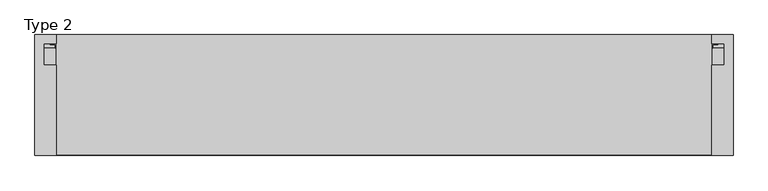
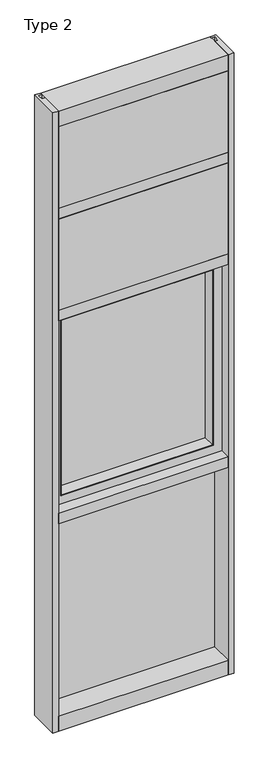
"""IFC4 building model written with IfcOpenShell, lengths in millimetres: plate geometry, Type 2."""

from ifc_helpers import new_model, si_unit, point, frame, frame_2d, origin, place, context, project, spatial, polyline, circle_curve, trimmed, segment, composite_curve, outline, extrude, faceted_brep, source, transform, mapped, element, save


def type_2_29f3a8de(model_context):
    return source(origin(), model_context, "Body", "SolidModel", [
        extrude(outline(polyline([(34.0360843, 3579.4782689), (34.0360843, 3568.7272341), (27.686, 3566.9739421), (27.686, 3579.4782689), (34.0360843, 3579.4782689)])), frame((-501.65, 0.0, 0.0), z_axis=(1.0, 0.0, 0.0), x_axis=(0.0, 1.0, 0.0)), (0.0, 0.0, 1.0), 1003.3),
        extrude(outline(composite_curve([segment(polyline([(-483.0874462, 27.686), (-484.0539521, 27.686), (-484.0814595, 31.7563748)]), True, "CONTINUOUS"), segment(trimmed(circle_curve(frame_2d((-484.716445, 31.7520836)), 0.635), [point((-484.0814595, 31.7563748))], [point((-484.6813642, 32.3861138))], True, "CARTESIAN"), True, "CONTINUOUS"), segment(polyline([(-484.6813642, 32.3861138), (-491.4367251, 32.7598869)]), True, "CONTINUOUS"), segment(trimmed(circle_curve(frame_2d((-491.2541718, 33.7593519)), 1.016), [point((-491.4367251, 32.7598869))], [point((-492.2317504, 34.0361122))], False, "CARTESIAN"), True, "CONTINUOUS"), segment(polyline([(-492.2317504, 34.0361122), (-482.6765008, 34.0361122), (-483.0874462, 27.686)]), True, "CONTINUOUS")], self_intersect=False)), frame((0.0, 0.0, 3068.9728643), z_axis=(0.0, 0.0, 1.0), x_axis=(1.0, 0.0, 0.0)), (0.0, 0.0, 1.0), 518.7771357),
        extrude(outline(composite_curve([segment(polyline([(483.0874462, 27.686), (482.6765008, 34.0361122), (492.2317504, 34.0361122)]), True, "CONTINUOUS"), segment(trimmed(circle_curve(frame_2d((491.2541718, 33.7593519)), 1.016), [point((492.2317504, 34.0361122))], [point((491.4367251, 32.7598869))], False, "CARTESIAN"), True, "CONTINUOUS"), segment(polyline([(491.4367251, 32.7598869), (484.6813642, 32.3861138)]), True, "CONTINUOUS"), segment(trimmed(circle_curve(frame_2d((484.716445, 31.7520836)), 0.635), [point((484.6813642, 32.3861138))], [point((484.0814595, 31.7563748))], True, "CARTESIAN"), True, "CONTINUOUS"), segment(polyline([(484.0814595, 31.7563748), (484.0539521, 27.686), (483.0874462, 27.686)]), True, "CONTINUOUS")], self_intersect=False)), frame((0.0, 0.0, 3068.9728643), z_axis=(0.0, 0.0, 1.0), x_axis=(1.0, 0.0, 0.0)), (0.0, 0.0, 1.0), 518.7771357),
        extrude(outline(polyline([(34.0361122, 3068.9728643), (27.686, 3068.9728643), (27.686, 3081.4771952), (34.0361122, 3079.7238955), (34.0361122, 3068.9728643)])), frame((-492.2317504, 0.0, 0.0), z_axis=(1.0, 0.0, 0.0), x_axis=(0.0, 1.0, 0.0)), (0.0, 0.0, 1.0), 984.4635007),
        extrude(outline(polyline([(484.1875, -48.6030703), (482.6, -131.0159103), (-482.6, -131.0159103), (-484.1875, -48.6030703), (484.1875, -48.6030703)])), frame((0.0, 0.0, 3079.75), z_axis=(0.0, 0.0, 1.0), x_axis=(1.0, 0.0, 0.0)), (0.0, 0.0, 1.0), 488.95),
        extrude(outline(polyline([(-501.65, 27.686), (501.65, 27.686), (501.65, 2.286), (-501.65, 2.286), (-501.65, 27.686)])), frame((0.0, 0.0, 3060.7), z_axis=(0.0, 0.0, 1.0), x_axis=(1.0, 0.0, 0.0)), (0.0, 0.0, 1.0), 527.05),
        extrude(outline(composite_curve([segment(polyline([(34.0360974, 3027.0282838), (34.0360974, 3016.1659828)]), True, "CONTINUOUS"), segment(trimmed(circle_curve(frame_2d((38.5198748, 2991.1648681)), 25.4), [point((34.0360974, 3016.1659828))], [point((27.686, 3014.1384868))], True, "CARTESIAN"), True, "CONTINUOUS"), segment(polyline([(27.686, 3014.1384868), (27.686, 3027.0282838), (34.0360974, 3027.0282838)]), True, "CONTINUOUS")], self_intersect=False)), frame((-501.65, 0.0, 0.0), z_axis=(1.0, 0.0, 0.0), x_axis=(0.0, 1.0, 0.0)), (0.0, 0.0, 1.0), 1003.3),
        extrude(outline(composite_curve([segment(polyline([(-482.6765008, 34.0361122), (-483.0874462, 27.686), (-484.0539521, 27.686), (-484.0814595, 31.7563748)]), True, "CONTINUOUS"), segment(trimmed(circle_curve(frame_2d((-484.716445, 31.7520836)), 0.635), [point((-484.0814595, 31.7563748))], [point((-484.6813642, 32.3861138))], True, "CARTESIAN"), True, "CONTINUOUS"), segment(polyline([(-484.6813642, 32.3861138), (-491.4367251, 32.7598869)]), True, "CONTINUOUS"), segment(trimmed(circle_curve(frame_2d((-491.2541718, 33.7593519)), 1.016), [point((-491.4367251, 32.7598869))], [point((-492.2317504, 34.0361122))], False, "CARTESIAN"), True, "CONTINUOUS"), segment(polyline([(-492.2317504, 34.0361122), (-482.6765008, 34.0361122)]), True, "CONTINUOUS")], self_intersect=False)), frame((0.0, 0.0, 2459.3728643), z_axis=(0.0, 0.0, 1.0), x_axis=(1.0, 0.0, 0.0)), (0.0, 0.0, 1.0), 575.9271357),
        extrude(outline(composite_curve([segment(polyline([(483.0874462, 27.686), (482.6765008, 34.0361122), (492.2317504, 34.0361122)]), True, "CONTINUOUS"), segment(trimmed(circle_curve(frame_2d((491.2541718, 33.7593519)), 1.016), [point((492.2317504, 34.0361122))], [point((491.4367251, 32.7598869))], False, "CARTESIAN"), True, "CONTINUOUS"), segment(polyline([(491.4367251, 32.7598869), (484.6813642, 32.3861138)]), True, "CONTINUOUS"), segment(trimmed(circle_curve(frame_2d((484.716445, 31.7520836)), 0.635), [point((484.6813642, 32.3861138))], [point((484.0814595, 31.7563748))], True, "CARTESIAN"), True, "CONTINUOUS"), segment(polyline([(484.0814595, 31.7563748), (484.0539521, 27.686), (483.0874462, 27.686)]), True, "CONTINUOUS")], self_intersect=False)), frame((0.0, 0.0, 2459.3728643), z_axis=(0.0, 0.0, 1.0), x_axis=(1.0, 0.0, 0.0)), (0.0, 0.0, 1.0), 575.9271357),
        extrude(outline(polyline([(34.0361122, 2459.3728643), (27.686, 2459.3728643), (27.686, 2471.8771952), (34.0361122, 2470.1238955), (34.0361122, 2459.3728643)])), frame((-492.2317504, 0.0, 0.0), z_axis=(1.0, 0.0, 0.0), x_axis=(0.0, 1.0, 0.0)), (0.0, 0.0, 1.0), 984.4635007),
        extrude(outline(polyline([(482.6, -48.514), (482.6, -131.0159103), (-482.6, -131.0159103), (-482.6, -48.514), (482.6, -48.514)])), frame((0.0, 0.0, 2470.15), z_axis=(0.0, 0.0, 1.0), x_axis=(1.0, 0.0, 0.0)), (0.0, 0.0, 1.0), 546.1),
        extrude(outline(polyline([(501.65, 27.686), (501.65, 2.286), (-501.65, 2.286), (-501.65, 27.686), (501.65, 27.686)])), frame((0.0, 0.0, 2451.1), z_axis=(0.0, 0.0, 1.0), x_axis=(1.0, 0.0, 0.0)), (0.0, 0.0, 1.0), 584.2),
        extrude(outline(polyline([(-514.35, -130.5814), (-514.35, 47.2186), (-482.5989108, 47.2186), (-482.5989108, 34.036), (-501.65, 34.036), (-501.65, 2.286), (-482.6, 2.286), (-482.6, -130.5814), (-514.35, -130.5814)])), frame((0.0, 0.0, -57.15), z_axis=(0.0, 0.0, 1.0), x_axis=(1.0, 0.0, 0.0)), (0.0, 0.0, 1.0), 3721.1),
        extrude(outline(polyline([(514.35, -130.5814), (482.6, -130.5814), (482.6, 2.286), (501.65, 2.286), (501.65, 34.036), (482.5989108, 34.036), (482.5989108, 47.2186), (514.35, 47.2186), (514.35, -130.5814)])), frame((0.0, 0.0, -57.15), z_axis=(0.0, 0.0, 1.0), x_axis=(1.0, 0.0, 0.0)), (0.0, 0.0, 1.0), 3721.1),
        faceted_brep([(-482.6, 26.9875, 2406.65), (482.6, 26.9875, 2406.65), (482.6, 26.9875, 1250.95), (-482.6, 26.9875, 1250.95), (-457.21905, 26.9875, 1276.33095), (457.21905, 26.9875, 1276.33095), (457.21905, 26.9875, 2381.26905), (-457.21905, 26.9875, 2381.26905), (457.21905, 1.5875, 1276.33095), (-457.21905, 1.5875, 1276.33095), (466.725, -66.0939347, 1266.825), (466.725, -12.4174268, 1266.825), (-466.725, -12.4174268, 1266.825), (-466.725, -66.0939347, 1266.825), (482.6, -68.2529804, 1250.95), (-482.6, -68.2529804, 1250.95), (449.2625, -7.9279804, 2373.3125), (449.2625, -63.4904804, 2373.3125), (449.2625, -63.4904804, 1284.2875), (449.2625, -7.9279804, 1284.2875), (464.7836465, -12.4174268, 2388.8336465), (464.7836465, -7.9279804, 2388.8336465), (464.7836465, -7.9279804, 1268.7663535), (464.7836465, -12.4174268, 1268.7663535), (466.725, -66.0939347, 2390.775), (466.725, -12.4174268, 2390.775), (-449.2625, -7.9279804, 2373.3125), (-449.2625, -63.4904804, 2373.3125), (-464.7836465, -12.4174268, 2388.8336465), (-464.7836465, -7.9279804, 2388.8336465), (-466.725, -66.0939347, 2390.775), (-466.725, -12.4174268, 2390.775), (-457.21905, 1.5875, 2381.26905), (-428.625, -68.2529804, 1304.925), (-428.625, 1.5875, 1304.925), (-428.625, 1.5875, 2352.675), (-428.625, -68.2529804, 2352.675), (-431.00625, -63.4904804, 1302.54375), (-431.00625, -68.2529804, 1302.54375), (-431.00625, -68.2529804, 2355.05625), (-431.00625, -63.4904804, 2355.05625), (-434.18125, -68.2529804, 1299.36875), (-434.18125, -66.0939347, 1299.36875), (-434.18125, -66.0939347, 2358.23125), (-434.18125, -68.2529804, 2358.23125), (-482.6, -68.2529804, 2406.65), (-449.2625, -7.9279804, 1284.2875), (-449.2625, -63.4904804, 1284.2875), (-464.7836465, -12.4174268, 1268.7663535), (-464.7836465, -7.9279804, 1268.7663535), (457.21905, 1.5875, 2381.26905), (428.625, 1.5875, 2352.675), (428.625, -68.2529804, 2352.675), (431.00625, -68.2529804, 2355.05625), (431.00625, -63.4904804, 2355.05625), (434.18125, -66.0939347, 2358.23125), (434.18125, -68.2529804, 2358.23125), (482.6, -68.2529804, 2406.65), (428.625, 1.5875, 1304.925), (428.625, -68.2529804, 1304.925), (431.00625, -68.2529804, 1302.54375), (431.00625, -63.4904804, 1302.54375), (434.18125, -66.0939347, 1299.36875), (434.18125, -68.2529804, 1299.36875)], [[[0, 1, 2, 3], [4, 5, 6, 7]], [[8, 5, 4, 9]], [[10, 11, 12, 13]], [[2, 14, 15, 3]], [[16, 17, 18, 19]], [[20, 21, 22, 23]], [[24, 25, 11, 10]], [[26, 27, 17, 16]], [[28, 29, 21, 20]], [[30, 31, 25, 24]], [[9, 4, 7, 32]], [[33, 34, 35, 36]], [[37, 38, 39, 40]], [[41, 42, 43, 44]], [[3, 15, 45, 0]], [[46, 47, 27, 26]], [[48, 49, 29, 28]], [[13, 12, 31, 30]], [[32, 7, 6, 50]], [[36, 35, 51, 52]], [[40, 39, 53, 54]], [[44, 43, 55, 56]], [[0, 45, 57, 1]], [[50, 6, 5, 8]], [[52, 51, 58, 59]], [[54, 53, 60, 61]], [[56, 55, 62, 63]], [[1, 57, 14, 2]], [[32, 50, 8, 9], [34, 58, 51, 35]], [[59, 58, 34, 33]], [[38, 60, 53, 39], [36, 52, 59, 33]], [[61, 60, 38, 37]], [[47, 18, 17, 27], [40, 54, 61, 37]], [[19, 18, 47, 46]], [[49, 22, 21, 29], [26, 16, 19, 46]], [[23, 22, 49, 48]], [[12, 11, 25, 31], [28, 20, 23, 48]], [[30, 24, 10, 13], [42, 62, 55, 43]], [[63, 62, 42, 41]], [[15, 14, 57, 45], [44, 56, 63, 41]]]),
        extrude(outline(polyline([(457.21905, 26.9875), (457.21905, 1.5875), (-457.21905, 1.5875), (-457.21905, 26.9875), (457.21905, 26.9875)])), frame((0.0, 0.0, 1276.33095), z_axis=(0.0, 0.0, 1.0), x_axis=(1.0, 0.0, 0.0)), (0.0, 0.0, 1.0), 1104.9381),
        extrude(outline(polyline([(27.686, 33.4752684), (34.036, 31.7219997), (34.036, 20.9709644), (27.686, 20.9709644), (27.686, 33.4752684)])), frame((-492.2328713, 0.0, 0.0), z_axis=(1.0, 0.0, 0.0), x_axis=(0.0, 1.0, 0.0)), (0.0, 0.0, 1.0), 984.4657427),
        extrude(outline(polyline([(27.6860992, 1198.2309356), (34.0360992, 1198.2309356), (34.0360992, 1187.4798775), (27.6860992, 1185.7266088), (27.6860992, 1198.2309356)])), frame((-492.2328713, 0.0, 0.0), z_axis=(1.0, 0.0, 0.0), x_axis=(0.0, 1.0, 0.0)), (0.0, 0.0, 1.0), 984.4657427),
        extrude(outline(composite_curve([segment(trimmed(circle_curve(frame_2d((-484.7175342, 31.7520836)), 0.635), [point((-484.0825487, 31.7563748))], [point((-484.6824534, 32.3861138))], True, "CARTESIAN"), True, "CONTINUOUS"), segment(polyline([(-484.6824534, 32.3861138), (-491.4378143, 32.7598869)]), True, "CONTINUOUS"), segment(trimmed(circle_curve(frame_2d((-491.2552611, 33.7593519)), 1.016), [point((-491.4378143, 32.7598869))], [point((-492.2328713, 34.036))], False, "CARTESIAN"), True, "CONTINUOUS"), segment(polyline([(-492.2328713, 34.036), (-482.6775972, 34.036), (-483.0885354, 27.686), (-484.0550413, 27.686), (-484.0825487, 31.7563748)]), True, "CONTINUOUS")], self_intersect=False)), frame((0.0, 0.0, 20.9709644), z_axis=(0.0, 0.0, 1.0), x_axis=(1.0, 0.0, 0.0)), (0.0, 0.0, 1.0), 1177.2580861),
        extrude(outline(composite_curve([segment(polyline([(483.0885354, 27.686), (482.6775972, 34.036), (492.2328713, 34.036)]), True, "CONTINUOUS"), segment(trimmed(circle_curve(frame_2d((491.2552611, 33.7593519)), 1.016), [point((492.2328713, 34.036))], [point((491.4378143, 32.7598869))], False, "CARTESIAN"), True, "CONTINUOUS"), segment(polyline([(491.4378143, 32.7598869), (484.6824534, 32.3861138)]), True, "CONTINUOUS"), segment(trimmed(circle_curve(frame_2d((484.7175342, 31.7520836)), 0.635), [point((484.6824534, 32.3861138))], [point((484.0825487, 31.7563748))], True, "CARTESIAN"), True, "CONTINUOUS"), segment(polyline([(484.0825487, 31.7563748), (484.0550413, 27.686), (483.0885354, 27.686)]), True, "CONTINUOUS")], self_intersect=False)), frame((0.0, 0.0, 20.9709644), z_axis=(0.0, 0.0, 1.0), x_axis=(1.0, 0.0, 0.0)), (0.0, 0.0, 1.0), 1177.2580861),
        extrude(outline(polyline([(501.6510892, 27.686), (501.6510892, 2.286), (-501.6510892, 2.286), (-501.6510892, 27.686), (501.6510892, 27.686)])), frame((0.0, 0.0, 12.6962001), z_axis=(0.0, 0.0, 1.0), x_axis=(1.0, 0.0, 0.0)), (0.0, 0.0, 1.0), 1193.8037999),
        extrude(outline(polyline([(0.0, 3079.75), (0.0, 3060.7), (34.13125, 3060.7), (34.13125, 3079.7462001), (46.83125, 3079.7462001), (46.83125, 3016.2462001), (34.13125, 3016.2462001), (34.13125, 3035.3), (0.0, 3035.3), (0.0, 3016.25), (-130.175, 3016.25), (-130.175, 3079.75), (0.0, 3079.75)])), frame((-482.6, 0.0, 0.0), z_axis=(1.0, 0.0, 0.0), x_axis=(0.0, 1.0, 0.0)), (0.0, 0.0, 1.0), 965.2),
        extrude(outline(polyline([(0.0, 2470.15), (0.0, 2451.1), (34.13125, 2451.1), (34.13125, 2470.1462001), (46.83125, 2470.1462001), (46.83125, 2406.6462001), (34.13125, 2406.6462001), (34.13125, 2425.7), (0.0, 2425.7), (0.0, 2406.65), (-130.175, 2406.65), (-130.175, 2470.15), (0.0, 2470.15)])), frame((-482.6, 0.0, 0.0), z_axis=(1.0, 0.0, 0.0), x_axis=(0.0, 1.0, 0.0)), (0.0, 0.0, 1.0), 965.2),
        extrude(outline(polyline([(47.2186297, 3663.95), (47.2186297, 3568.7), (34.13125, 3568.7), (34.13125, 3587.75), (0.0, 3587.75), (0.0, 3568.7), (-130.175, 3568.7), (-130.175, 3663.95), (47.2186297, 3663.95)])), frame((-482.6, 0.0, 0.0), z_axis=(1.0, 0.0, 0.0), x_axis=(0.0, 1.0, 0.0)), (0.0, 0.0, 1.0), 965.2),
        extrude(outline(polyline([(0.0, 1250.95), (0.0, 1231.9), (34.13125, 1231.9), (34.13125, 1250.9462001), (46.83125, 1250.9462001), (46.83125, 1187.4462001), (34.13125, 1187.4462001), (34.13125, 1206.5), (0.0, 1206.5), (0.0, 1187.45), (-130.175, 1187.45), (-130.175, 1250.95), (0.0, 1250.95)])), frame((-482.6, 0.0, 0.0), z_axis=(1.0, 0.0, 0.0), x_axis=(0.0, 1.0, 0.0)), (0.0, 0.0, 1.0), 965.2),
        extrude(outline(polyline([(0.0, 31.75), (0.0, 12.7), (34.13125, 12.7), (34.13125, 31.751832), (47.2186148, 31.751832), (47.2186148, -57.15), (-130.175, -57.15), (-130.175, 31.75), (0.0, 31.75)])), frame((-482.6, 0.0, 0.0), z_axis=(1.0, 0.0, 0.0), x_axis=(0.0, 1.0, 0.0)), (0.0, 0.0, 1.0), 965.2),
    ])


if __name__ == "__main__":
    model = new_model("IFC4")
    model_context = context("Model", 3, world=origin())
    ifc_project = project(units=[si_unit("LENGTHUNIT", "METRE", prefix="MILLI")], contexts=[model_context])
    site = spatial("IfcSite", under=ifc_project)
    building = spatial("IfcBuilding", under=site)
    placement = place(None, origin())
    type_2_shape = type_2_29f3a8de(model_context)
    element("IfcPlate", 1, ObjectType="Type 2", at=placement, inside=building, context=model_context, shape_type="MappedRepresentation", body=[
        mapped(type_2_shape, transform((0.0, 0.0, 0.0), x_axis=(1.0, 0.0, 0.0), y_axis=(0.0, 1.0, 0.0), z_axis=(0.0, 0.0, 1.0))),
    ])
    save(model, "model.ifc")
